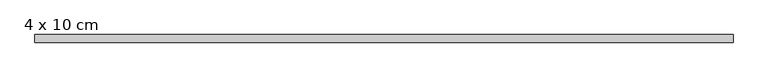
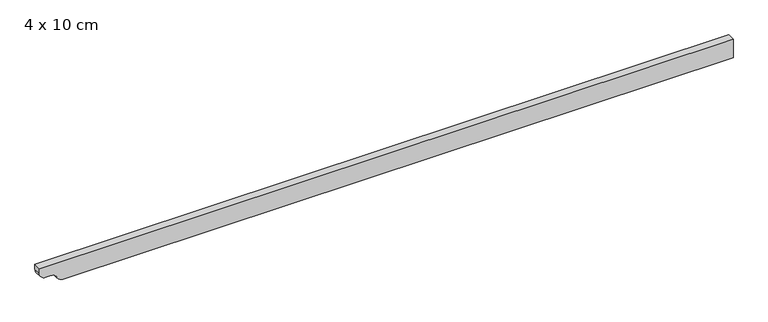
"""IFC4 building model written with IfcOpenShell, lengths in millimetres: beam geometry, 4 x 10 cm."""

from ifc_helpers import new_model, si_unit, point, frame, frame_2d, origin, place, context, project, spatial, polyline, circle_curve, trimmed, segment, composite_curve, outline, extrude, source, transform, mapped, element, save


def beam_4_x_10_cm_2284e231(model_context):
    return source(origin(), model_context, "Body", "SweptSolid", [
        extrude(outline(composite_curve([segment(polyline([(50.0, 1806.6165245), (50.0, -1846.3447705), (22.5, -1846.3447705)]), True, "CONTINUOUS"), segment(trimmed(circle_curve(frame_2d((22.5, -1813.8447705)), 32.5), [point((22.5, -1846.3447705))], [point((-10.0, -1813.8447705))], False, "CARTESIAN"), True, "CONTINUOUS"), segment(polyline([(-10.0, -1813.8447705), (-10.0, -1782.8345653)]), True, "CONTINUOUS"), segment(trimmed(circle_curve(frame_2d((-40.0, -1782.8345653)), 30.0), [point((-10.0, -1782.8345653))], [point((-34.0, -1753.4406884))], True, "CARTESIAN"), True, "CONTINUOUS"), segment(trimmed(circle_curve(frame_2d((-3.1535049, -1714.0897832)), 50.0), [point((-34.0, -1753.4406884))], [point((-53.1535049, -1714.0897832))], False, "CARTESIAN"), True, "CONTINUOUS"), segment(polyline([(-53.1535049, -1714.0897832), (-53.1535049, 1806.6165245), (50.0, 1806.6165245)]), True, "CONTINUOUS")], self_intersect=False)), frame((0.0, -20.0, 0.0), z_axis=(0.0, 1.0, 0.0), x_axis=(0.0, 0.0, 1.0)), (0.0, 0.0, 1.0), 40.0),
    ])


if __name__ == "__main__":
    model = new_model("IFC4")
    model_context = context("Model", 3, world=origin())
    ifc_project = project(units=[si_unit("LENGTHUNIT", "METRE", prefix="MILLI")], contexts=[model_context])
    site = spatial("IfcSite", under=ifc_project)
    building = spatial("IfcBuilding", under=site)
    placement = place(None, origin())
    beam_4_x_10_cm_shape = beam_4_x_10_cm_2284e231(model_context)
    element("IfcBeam", 1, ObjectType="4 x 10 cm", at=placement, inside=building, context=model_context, shape_type="MappedRepresentation", body=[
        mapped(beam_4_x_10_cm_shape, transform((0.0, 0.0, 0.0), x_axis=(1.0, 0.0, 0.0), y_axis=(0.0, 1.0, 0.0), z_axis=(0.0, 0.0, 1.0))),
    ])
    save(model, "model.ifc")
